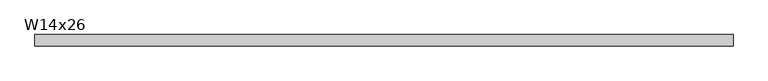
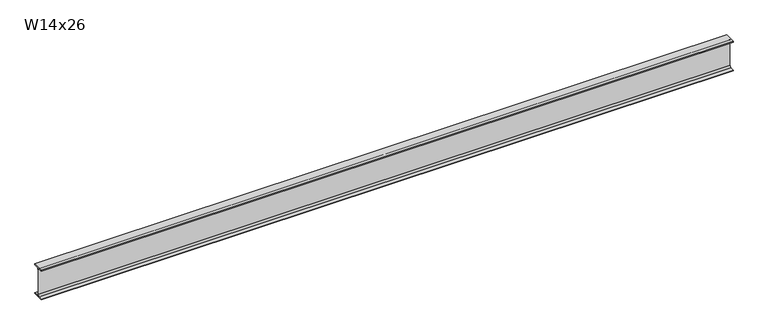
"""IFC4 building model written with IfcOpenShell, lengths in millimetres: beam geometry, W14x26."""

from ifc_helpers import new_model, si_unit, point, frame, frame_2d, origin, place, context, project, spatial, polyline, circle_curve, trimmed, segment, composite_curve, outline, extrude, source, transform, mapped, element, save


def w14x26_71ebf821(model_context):
    return source(origin(), model_context, "Body", "SweptSolid", [
        extrude(outline(composite_curve([segment(polyline([(63.881, -165.862), (63.881, -176.53), (-63.881, -176.53), (-63.881, -165.862), (-21.1455, -165.862)]), True, "CONTINUOUS"), segment(trimmed(circle_curve(frame_2d((-21.1455, -147.955)), 17.907), [point((-21.1455, -165.862))], [point((-3.2385, -147.955))], True, "CARTESIAN"), True, "CONTINUOUS"), segment(polyline([(-3.2385, -147.955), (-3.2385, 147.955)]), True, "CONTINUOUS"), segment(trimmed(circle_curve(frame_2d((-21.1455, 147.955)), 17.907), [point((-3.2385, 147.955))], [point((-21.1455, 165.862))], True, "CARTESIAN"), True, "CONTINUOUS"), segment(polyline([(-21.1455, 165.862), (-63.881, 165.862), (-63.881, 176.53), (63.881, 176.53), (63.881, 165.862), (21.1455, 165.862)]), True, "CONTINUOUS"), segment(trimmed(circle_curve(frame_2d((21.1455, 147.955)), 17.907), [point((21.1455, 165.862))], [point((3.2385, 147.955))], True, "CARTESIAN"), True, "CONTINUOUS"), segment(polyline([(3.2385, 147.955), (3.2385, -147.955)]), True, "CONTINUOUS"), segment(trimmed(circle_curve(frame_2d((21.1455, -147.955)), 17.907), [point((3.2385, -147.955))], [point((21.1455, -165.862))], True, "CARTESIAN"), True, "CONTINUOUS"), segment(polyline([(21.1455, -165.862), (63.881, -165.862)]), True, "CONTINUOUS")], self_intersect=False)), frame((-3860.2736715, 0.0, 0.0), z_axis=(1.0, 0.0, 0.0), x_axis=(0.0, 1.0, 0.0)), (0.0, 0.0, 1.0), 7822.6736754),
    ])


if __name__ == "__main__":
    model = new_model("IFC4")
    model_context = context("Model", 3, world=origin())
    ifc_project = project(units=[si_unit("LENGTHUNIT", "METRE", prefix="MILLI")], contexts=[model_context])
    site = spatial("IfcSite", under=ifc_project)
    building = spatial("IfcBuilding", under=site)
    placement = place(None, origin())
    w14x26_shape = w14x26_71ebf821(model_context)
    element("IfcBeam", 1, ObjectType="W14x26", at=placement, inside=building, context=model_context, shape_type="MappedRepresentation", body=[
        mapped(w14x26_shape, transform((0.0, 0.0, 0.0), x_axis=(1.0, 0.0, 0.0), y_axis=(0.0, 1.0, 0.0), z_axis=(0.0, 0.0, 1.0))),
    ])
    save(model, "model.ifc")
